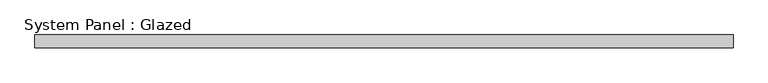
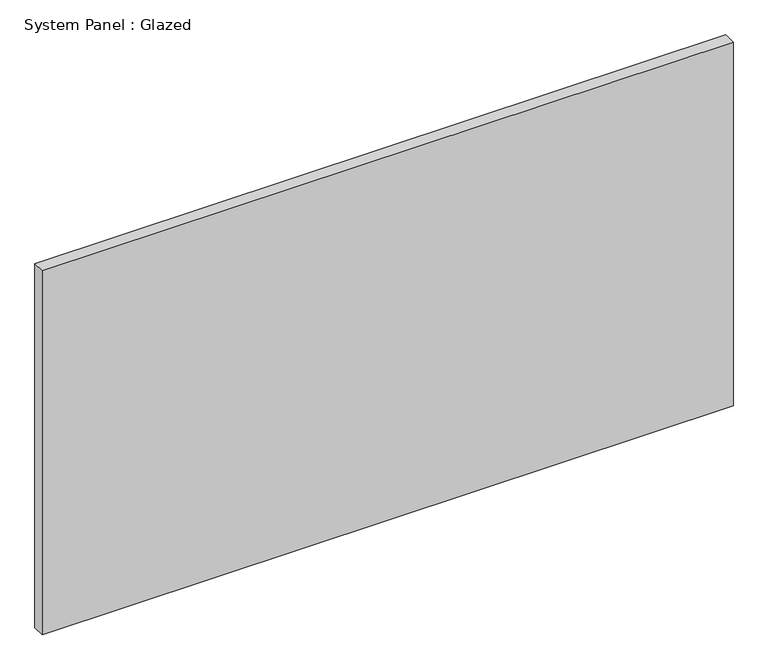
"""IFC4 building model written with IfcOpenShell, lengths in millimetres: plate geometry, System Panel : Glazed."""

from ifc_helpers import new_model, si_unit, origin, origin_with_axes, place, context, project, spatial, polyline, outline, extrude, source, transform, mapped, element, save


def system_panel_glazed_2fe00514(model_context):
    return source(origin(), model_context, "Body", "SweptSolid", [
        extrude(outline(polyline([(700.0, 19.05), (-700.0, 19.05), (-700.0, 44.45), (700.0, 44.45), (700.0, 19.05)])), origin_with_axes(), (0.0, 0.0, 1.0), 779.3666667),
    ])


if __name__ == "__main__":
    model = new_model("IFC4")
    model_context = context("Model", 3, world=origin())
    ifc_project = project(units=[si_unit("LENGTHUNIT", "METRE", prefix="MILLI")], contexts=[model_context])
    site = spatial("IfcSite", under=ifc_project)
    building = spatial("IfcBuilding", under=site)
    placement = place(None, origin())
    system_panel_glazed_shape = system_panel_glazed_2fe00514(model_context)
    element("IfcPlate", 1, ObjectType="System Panel : Glazed", at=placement, inside=building, context=model_context, shape_type="MappedRepresentation", body=[
        mapped(system_panel_glazed_shape, transform((0.0, 0.0, 0.0), x_axis=(1.0, 0.0, 0.0), y_axis=(0.0, 1.0, 0.0), z_axis=(0.0, 0.0, 1.0))),
    ])
    save(model, "model.ifc")
